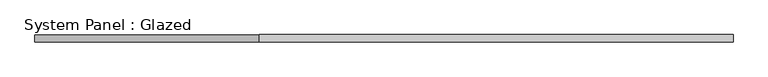
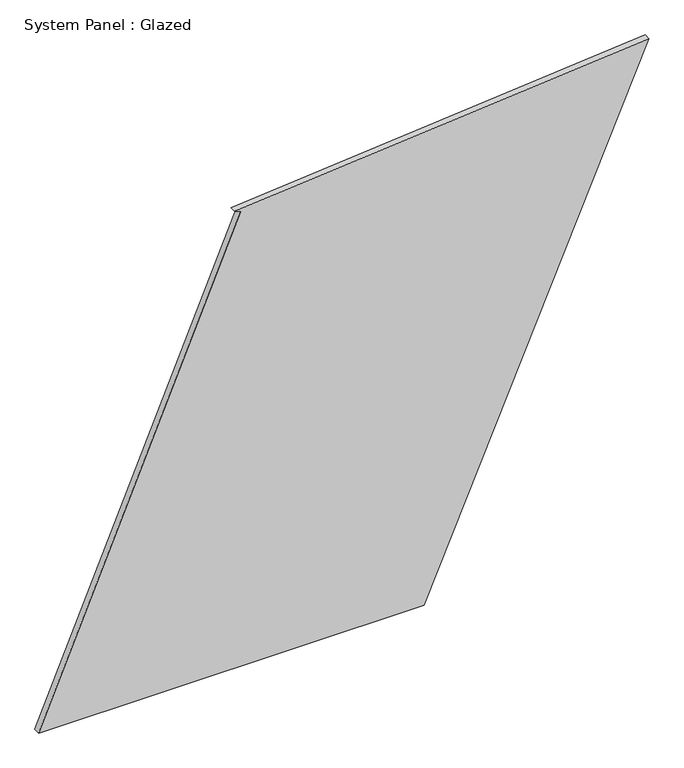
"""IFC4 building model written with IfcOpenShell, lengths in millimetres: plate geometry, System Panel : Glazed."""

from ifc_helpers import new_model, si_unit, frame, origin, place, context, project, spatial, polyline, outline, extrude, source, transform, mapped, element, save


def system_panel_glazed_6617212d(model_context):
    return source(origin(), model_context, "Body", "SweptSolid", [
        extrude(outline(polyline([(0.0, -1193.8503965), (0.0, 313.4703275), (2034.5817691, 1193.8503965), (1888.4523047, -426.8417728), (1878.7613362, -403.7964885), (0.0, -1193.8503965)])), frame((0.0, -49.5, 0.0), z_axis=(0.0, 1.0, 0.0), x_axis=(0.0, 0.0, 1.0)), (0.0, 0.0, 1.0), 25.0),
    ])


if __name__ == "__main__":
    model = new_model("IFC4")
    model_context = context("Model", 3, world=origin())
    ifc_project = project(units=[si_unit("LENGTHUNIT", "METRE", prefix="MILLI")], contexts=[model_context])
    site = spatial("IfcSite", under=ifc_project)
    building = spatial("IfcBuilding", under=site)
    placement = place(None, origin())
    system_panel_glazed_shape = system_panel_glazed_6617212d(model_context)
    element("IfcPlate", 1, ObjectType="System Panel : Glazed", at=placement, inside=building, context=model_context, shape_type="MappedRepresentation", body=[
        mapped(system_panel_glazed_shape, transform((0.0, 0.0, 0.0), x_axis=(1.0, 0.0, 0.0), y_axis=(0.0, 1.0, 0.0), z_axis=(0.0, 0.0, 1.0))),
    ])
    save(model, "model.ifc")
